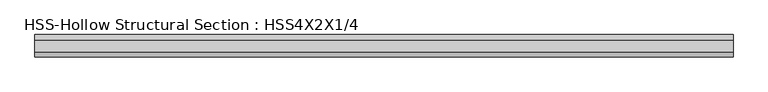
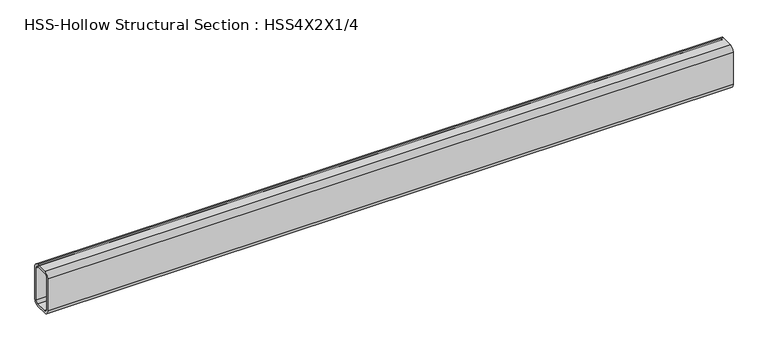
"""IFC4 building model written with IfcOpenShell, lengths in millimetres: beam geometry, HSS-Hollow Structural Section : HSS4X2X1/4."""

from ifc_helpers import new_model, si_unit, point, frame, frame_2d, origin, place, context, project, spatial, polyline, circle_curve, trimmed, segment, composite_curve, outline, extrude, source, transform, mapped, element, save


def hss_hollow_structural_section_hss4x2x1_4_fecd2c2e(model_context):
    return source(origin(), model_context, "Body", "SweptSolid", [
        extrude(outline(composite_curve([segment(polyline([(25.4, 38.9636), (25.4, -38.9636)]), True, "CONTINUOUS"), segment(trimmed(circle_curve(frame_2d((13.5636, -38.9636)), 11.8364), [point((25.4, -38.9636))], [point((13.5636, -50.8))], False, "CARTESIAN"), True, "CONTINUOUS"), segment(polyline([(13.5636, -50.8), (-13.5636, -50.8)]), True, "CONTINUOUS"), segment(trimmed(circle_curve(frame_2d((-13.5636, -38.9636)), 11.8364), [point((-13.5636, -50.8))], [point((-25.4, -38.9636))], False, "CARTESIAN"), True, "CONTINUOUS"), segment(polyline([(-25.4, -38.9636), (-25.4, 38.9636)]), True, "CONTINUOUS"), segment(trimmed(circle_curve(frame_2d((-13.5636, 38.9636)), 11.8364), [point((-25.4, 38.9636))], [point((-13.5636, 50.8))], False, "CARTESIAN"), True, "CONTINUOUS"), segment(polyline([(-13.5636, 50.8), (13.5636, 50.8)]), True, "CONTINUOUS"), segment(trimmed(circle_curve(frame_2d((13.5636, 38.9636)), 11.8364), [point((13.5636, 50.8))], [point((25.4, 38.9636))], False, "CARTESIAN"), True, "CONTINUOUS")], self_intersect=False), holes=[composite_curve([segment(trimmed(circle_curve(frame_2d((-13.5636, 38.9636)), 5.9182), [point((-13.5636, 44.8818))], [point((-19.4818, 38.9636))], True, "CARTESIAN"), True, "CONTINUOUS"), segment(polyline([(-19.4818, 38.9636), (-19.4818, -38.9636)]), True, "CONTINUOUS"), segment(trimmed(circle_curve(frame_2d((-13.5636, -38.9636)), 5.9182), [point((-19.4818, -38.9636))], [point((-13.5636, -44.8818))], True, "CARTESIAN"), True, "CONTINUOUS"), segment(polyline([(-13.5636, -44.8818), (13.5636, -44.8818)]), True, "CONTINUOUS"), segment(trimmed(circle_curve(frame_2d((13.5636, -38.9636)), 5.9182), [point((13.5636, -44.8818))], [point((19.4818, -38.9636))], True, "CARTESIAN"), True, "CONTINUOUS"), segment(polyline([(19.4818, -38.9636), (19.4818, 38.9636)]), True, "CONTINUOUS"), segment(trimmed(circle_curve(frame_2d((13.5636, 38.9636)), 5.9182), [point((19.4818, 38.9636))], [point((13.5636, 44.8818))], True, "CARTESIAN"), True, "CONTINUOUS"), segment(polyline([(13.5636, 44.8818), (-13.5636, 44.8818)]), True, "CONTINUOUS")], self_intersect=False)]), frame((-788.543, 0.0, 0.0), z_axis=(1.0, 0.0, 0.0), x_axis=(0.0, 1.0, 0.0)), (0.0, 0.0, 1.0), 1577.086),
    ])


if __name__ == "__main__":
    model = new_model("IFC4")
    model_context = context("Model", 3, world=origin())
    ifc_project = project(units=[si_unit("LENGTHUNIT", "METRE", prefix="MILLI")], contexts=[model_context])
    site = spatial("IfcSite", under=ifc_project)
    building = spatial("IfcBuilding", under=site)
    placement = place(None, origin())
    hss_hollow_structural_section_hss4x2x1_4_shape = hss_hollow_structural_section_hss4x2x1_4_fecd2c2e(model_context)
    element("IfcBeam", 1, ObjectType="HSS-Hollow Structural Section : HSS4X2X1/4", at=placement, inside=building, context=model_context, shape_type="MappedRepresentation", body=[
        mapped(hss_hollow_structural_section_hss4x2x1_4_shape, transform((0.0, 0.0, 0.0), x_axis=(1.0, 0.0, 0.0), y_axis=(0.0, 1.0, 0.0), z_axis=(0.0, 0.0, 1.0))),
    ])
    save(model, "model.ifc")
